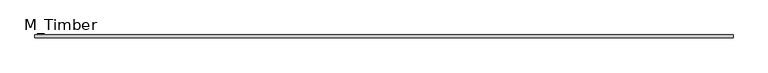
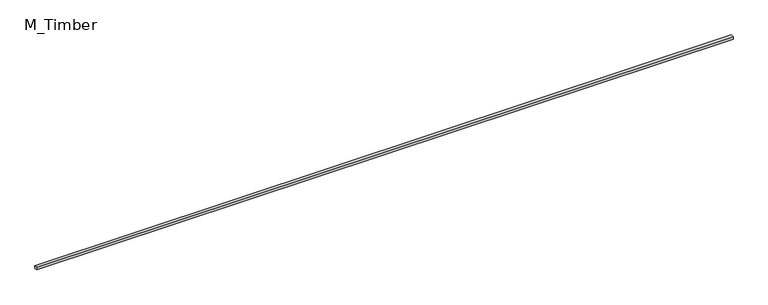
"""IFC4 building model written with IfcOpenShell, lengths in millimetres: beam geometry, M_Timber."""

from ifc_helpers import new_model, si_unit, frame, origin, place, context, project, spatial, polyline, outline, extrude, source, transform, mapped, element, save


def m_timber_eef60a03(model_context):
    return source(origin(), model_context, "Body", "SweptSolid", [
        extrude(outline(polyline([(4954.8923465, 20.0), (4954.8923465, -20.0), (-4954.8923465, -20.0), (-4954.8923465, 20.0), (4954.8923465, 20.0)])), frame((0.0, 0.0, -20.0), z_axis=(0.0, 0.0, 1.0), x_axis=(1.0, 0.0, 0.0)), (0.0, 0.0, 1.0), 40.0),
    ])


if __name__ == "__main__":
    model = new_model("IFC4")
    model_context = context("Model", 3, world=origin())
    ifc_project = project(units=[si_unit("LENGTHUNIT", "METRE", prefix="MILLI")], contexts=[model_context])
    site = spatial("IfcSite", under=ifc_project)
    building = spatial("IfcBuilding", under=site)
    placement = place(None, origin())
    m_timber_shape = m_timber_eef60a03(model_context)
    element("IfcBeam", 1, ObjectType="M_Timber", at=placement, inside=building, context=model_context, shape_type="MappedRepresentation", body=[
        mapped(m_timber_shape, transform((0.0, 0.0, 0.0), x_axis=(1.0, 0.0, 0.0), y_axis=(0.0, 1.0, 0.0), z_axis=(0.0, 0.0, 1.0))),
    ])
    save(model, "model.ifc")
